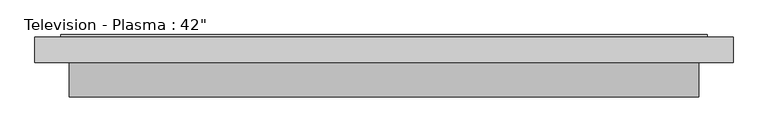
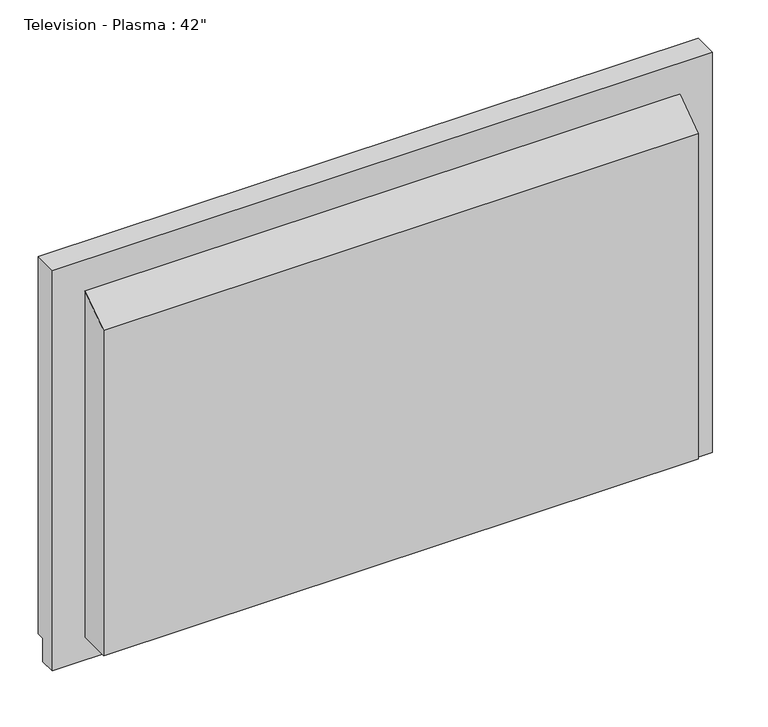
"""IFC4 building model written with IfcOpenShell, lengths in millimetres: furniture geometry."""

from ifc_helpers import new_model, si_unit, frame, origin, place, context, project, spatial, polyline, outline, extrude, faceted_brep, source, transform, mapped, element, save


def furniture_a9250d54(model_context):
    return source(origin(), model_context, "Body", "SolidModel", [
        faceted_brep([(571.5, 50.8, 660.4), (571.5, 88.9, 660.4), (-457.2, 88.9, 660.4), (-457.2, 50.8, 660.4), (-457.2, 50.8, 0.0), (-457.2, 76.2, 0.0), (571.5, 76.2, 0.0), (571.5, 50.8, 0.0), (-457.2, 88.9, 38.1), (-457.2, 76.2, 38.1), (571.5, 88.9, 38.1), (533.4, 88.9, 622.3), (-419.1, 88.9, 622.3), (-419.1, 88.9, 76.2), (533.4, 88.9, 76.2), (571.5, 76.2, 38.1), (533.4, 74.1720413, 622.3), (533.4, 74.1720413, 76.2), (-419.1, 74.1720413, 76.2), (-419.1, 74.1720413, 622.3)], [[[0, 1, 2, 3]], [[4, 5, 6, 7]], [[3, 4, 7, 0]], [[2, 8, 9, 5, 4, 3]], [[1, 10, 8, 2], [11, 12, 13, 14]], [[0, 7, 6, 15, 10, 1]], [[16, 17, 18, 19]], [[16, 11, 14, 17]], [[17, 14, 13, 18]], [[18, 13, 12, 19]], [[19, 12, 11, 16]], [[15, 6, 5, 9]], [[9, 8, 10, 15]]]),
        faceted_brep([(517.525, 88.9, 92.075), (517.525, 88.9, 605.63125), (520.7, 92.075, 608.80625), (520.7, 92.075, 88.9), (520.7, 74.1720413, 88.9), (520.7, 74.1720413, 608.80625), (520.7, 88.9, 608.80625), (520.7, 88.9, 88.9), (533.4, 92.075, 76.2), (533.4, 92.075, 621.50625), (533.4, 74.1720413, 621.50625), (533.4, 74.1720413, 76.2), (-403.225, 88.9, 605.63125), (-406.4, 92.075, 608.80625), (-406.4, 74.1720413, 608.80625), (-406.4, 88.9, 608.80625), (-419.1, 92.075, 621.50625), (-419.1, 74.1720413, 621.50625), (-403.225, 88.9, 92.075), (-406.4, 92.075, 88.9), (-406.4, 74.1720413, 88.9), (-406.4, 88.9, 88.9), (-419.1, 92.075, 76.2), (-419.1, 74.1720413, 76.2)], [[[0, 1, 2, 3]], [[4, 5, 6, 7]], [[8, 9, 10, 11]], [[1, 12, 13, 2]], [[5, 14, 15, 6]], [[9, 16, 17, 10]], [[12, 18, 19, 13]], [[14, 20, 21, 15]], [[16, 22, 23, 17]], [[9, 8, 22, 16], [3, 2, 13, 19]], [[18, 0, 3, 19]], [[7, 6, 15, 21], [1, 0, 18, 12]], [[20, 4, 7, 21]], [[11, 10, 17, 23], [5, 4, 20, 14]], [[22, 8, 11, 23]]]),
        extrude(outline(polyline([(0.0, 574.8688953), (50.8, 609.6), (50.8, 38.1), (0.0, 38.1), (0.0, 574.8688953)])), frame((-406.4, 0.0, 0.0), z_axis=(1.0, 0.0, 0.0), x_axis=(0.0, 1.0, 0.0)), (0.0, 0.0, 1.0), 927.1),
        extrude(outline(polyline([(520.7, 88.9), (520.7, 74.1720413), (-406.4, 74.1720413), (-406.4, 88.9), (520.7, 88.9)])), frame((0.0, 0.0, 88.9), z_axis=(0.0, 0.0, 1.0), x_axis=(1.0, 0.0, 0.0)), (0.0, 0.0, 1.0), 520.7),
    ])


if __name__ == "__main__":
    model = new_model("IFC4")
    model_context = context("Model", 3, world=origin())
    ifc_project = project(units=[si_unit("LENGTHUNIT", "METRE", prefix="MILLI")], contexts=[model_context])
    site = spatial("IfcSite", under=ifc_project)
    building = spatial("IfcBuilding", under=site)
    placement = place(None, origin())
    furniture_shape = furniture_a9250d54(model_context)
    element("IfcFurniture", 1, ObjectType="Television - Plasma : 42\"", at=placement, inside=building, context=model_context, shape_type="MappedRepresentation", body=[
        mapped(furniture_shape, transform((0.0, 0.0, 0.0), x_axis=(1.0, 0.0, 0.0), y_axis=(0.0, 1.0, 0.0), z_axis=(0.0, 0.0, 1.0))),
    ])
    save(model, "model.ifc")
